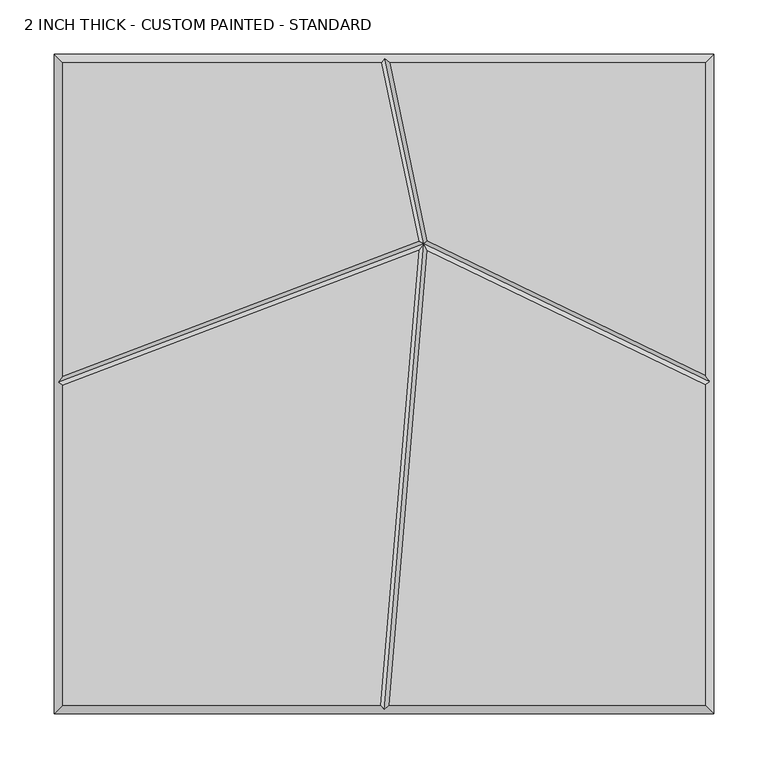
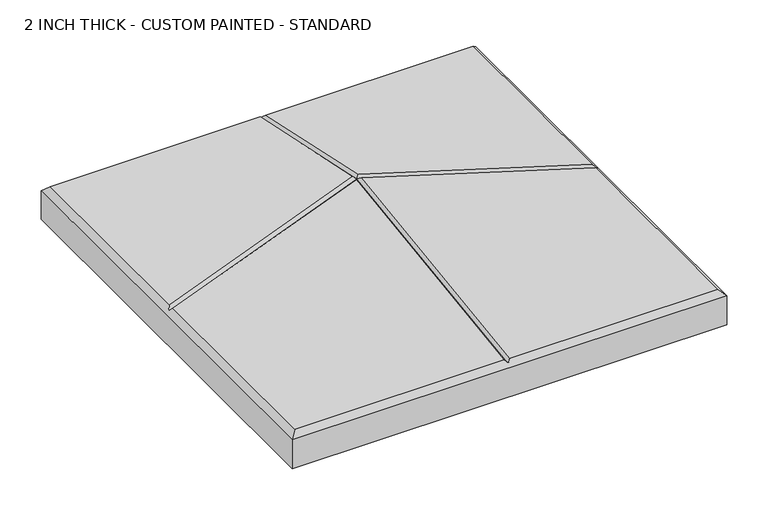
"""IFC4 building model written with IfcOpenShell, lengths in millimetres: proxy geometry, 2 INCH THICK - CUSTOM PAINTED - STANDARD."""

from ifc_helpers import new_model, si_unit, origin, place, context, project, spatial, faceted_brep, source, transform, mapped, element, save


def proxy_2_inch_thick_custom_painted_standard_408e1179(model_context):
    return source(origin(), model_context, "Body", "Brep", [
        faceted_brep([(-296.799, -1.2448936, 50.8), (-296.799, -296.799, 50.8), (-3.3400901, -296.799, 50.8), (32.0932726, 123.4506539, 50.8), (-296.799, 296.799, 50.8), (-296.799, 7.3118593, 50.8), (31.9984357, 131.9714505, 50.8), (-2.4162247, 296.799, 50.8), (296.799, -296.799, 50.8), (296.799, -0.5803511, 50.8), (40.1110006, 123.3123478, 50.8), (4.6892992, -296.799, 50.8), (296.799, 8.3038558, 50.8), (296.799, 296.799, 50.8), (5.757313, 296.799, 50.8), (40.1265394, 132.1890548, 50.8), (-304.8, 304.8, 0.0), (304.8, 304.8, 0.0), (304.8, -304.8, 0.0), (-304.8, -304.8, 0.0), (-304.8, -304.8, 42.799), (-304.8, 304.8, 42.799), (304.8, -304.8, 42.799), (304.8, 304.8, 42.799), (0.8352721, 300.7995, 46.7995), (-300.7995, 1.5167414, 46.7995), (0.3373023, -300.7995, 46.7995), (300.7995, 1.9308762, 46.7995), (36.6131869, 129.4427015, 46.7995)], [[[0, 1, 2, 3]], [[4, 5, 6, 7]], [[8, 9, 10, 11]], [[12, 13, 14, 15]], [[16, 17, 18, 19]], [[16, 19, 20, 21]], [[19, 18, 22, 20]], [[18, 17, 23, 22]], [[17, 16, 21, 23]], [[21, 4, 7, 24, 14, 13, 23]], [[4, 21, 20, 1, 0, 25, 5]], [[1, 20, 22, 8, 11, 26, 2]], [[23, 13, 12, 27, 9, 8, 22]], [[27, 28, 10, 9]], [[28, 27, 12, 15]], [[28, 25, 0, 3]], [[25, 28, 6, 5]], [[24, 28, 15, 14]], [[28, 24, 7, 6]], [[28, 26, 11, 10]], [[26, 28, 3, 2]]]),
    ])


if __name__ == "__main__":
    model = new_model("IFC4")
    model_context = context("Model", 3, world=origin())
    ifc_project = project(units=[si_unit("LENGTHUNIT", "METRE", prefix="MILLI")], contexts=[model_context])
    site = spatial("IfcSite", under=ifc_project)
    building = spatial("IfcBuilding", under=site)
    placement = place(None, origin())
    proxy_2_inch_thick_custom_painted_standard_shape = proxy_2_inch_thick_custom_painted_standard_408e1179(model_context)
    element("IfcBuildingElementProxy", 1, Name="2 INCH THICK - CUSTOM PAINTED - STANDARD", ObjectType="2 INCH THICK - CUSTOM PAINTED - STANDARD", at=placement, inside=building, context=model_context, shape_type="MappedRepresentation", body=[
        mapped(proxy_2_inch_thick_custom_painted_standard_shape, transform((0.0, 0.0, 0.0), x_axis=(1.0, 0.0, 0.0), y_axis=(0.0, 1.0, 0.0), z_axis=(0.0, 0.0, 1.0))),
    ])
    save(model, "model.ifc")
